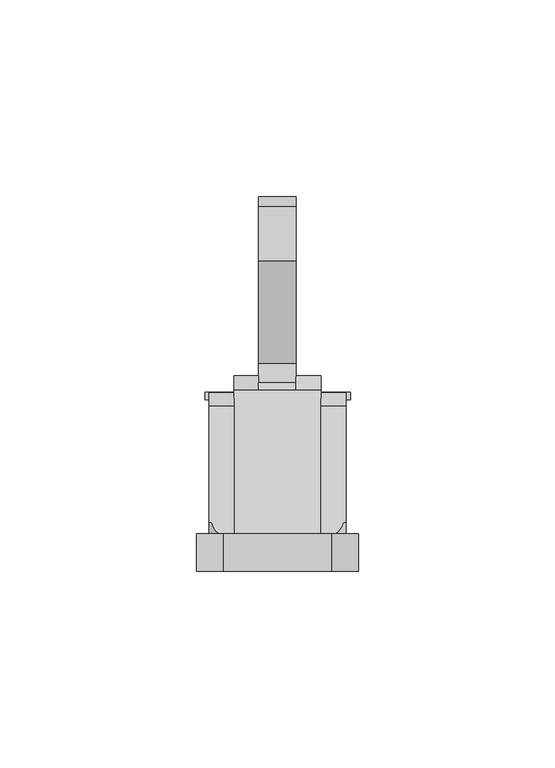
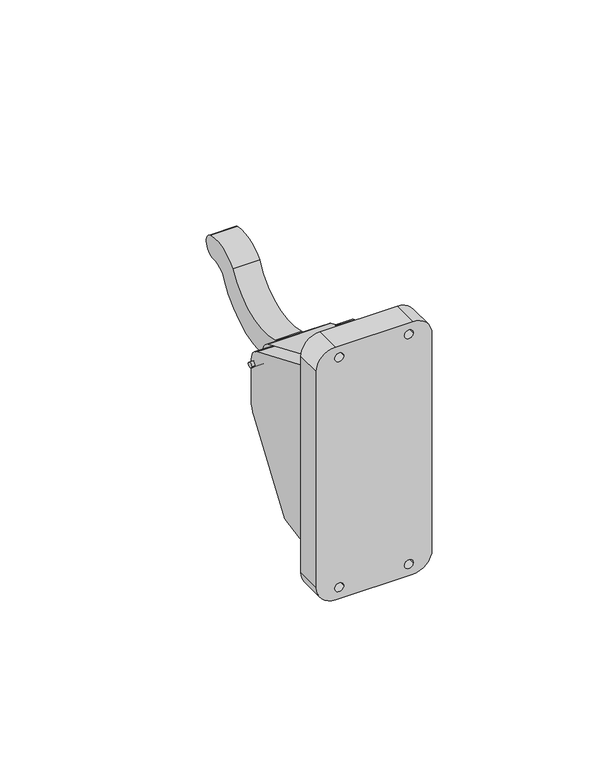
"""IFC4 building model written with IfcOpenShell, lengths in millimetres: proxy geometry."""

from ifc_helpers import new_model, si_unit, point, frame, frame_2d, origin, place, context, project, spatial, polyline, circle_curve, ellipse_curve, trimmed, segment, composite_curve, outline, extrude, source, transform, mapped, element, save
from ifc_brep_helpers import plane_surface, cylinder_surface, advanced_brep


def generic_models_79091314(model_context):
    return source(origin(), model_context, "Body", "SolidModel", [
        extrude(outline(composite_curve([segment(trimmed(circle_curve(frame_2d((35.1170752, 63.0835376)), 0.9707335), [point((36.0878086, 63.0835376))], [point((34.1463417, 63.0835376))], False, "CARTESIAN"), True, "CONTINUOUS"), segment(trimmed(circle_curve(frame_2d((35.1170752, 63.0835376)), 0.9707335), [point((34.1463417, 63.0835376))], [point((36.0878086, 63.0835376))], False, "CARTESIAN"), True, "CONTINUOUS")], self_intersect=False)), frame((-18.4728293, 0.0, 0.0), z_axis=(1.0, 0.0, 0.0), x_axis=(0.0, 1.0, 0.0)), (0.0, 0.0, 1.0), 37.0398824),
        advanced_brep(
        [(11.1125, 32.5081913, 69.2297236), (11.1125, 35.9861794, 64.3908472), (11.1125, 35.9861794, 47.4443329), (11.1125, 34.4017394, 43.711626), (11.1125, 15.4604364, 16.6606419), (11.1125, 0.0, 13.9345498), (11.1125, 0.0, 83.0286322), (17.4625, 15.4604364, 16.6606419), (17.4625, 34.4017394, 43.711626), (17.4625, 35.9861794, 47.4443329), (17.4625, 35.9861794, 64.3908472), (17.4625, 32.5081913, 69.2297236), (17.4625, 3.0130184, 81.7496817), (17.4625, 3.0130184, 79.8536322), (17.4625, 0.0, 79.8536322), (17.4625, 0.0, 17.1095498), (17.4625, 3.0130184, 17.1095498), (17.4625, 3.0130184, 14.4658263), (14.2875, 0.0, 83.0286322), (16.8341883, 3.0130184, 81.7496817), (14.2875, 0.0, 13.9345498), (16.0457237, 3.0130184, 14.4658263)],
        [
            (0, 1, circle_curve(frame((11.1125, 30.8810547, 64.3908472), z_axis=(-1.0, 0.0, 0.0), x_axis=(0.0, -1.0, 0.0)), 5.1051248)),
            (1, 2),
            (2, 3, circle_curve(frame((11.1125, 26.413457, 49.3050816), z_axis=(-1.0, 0.0, 0.0), x_axis=(0.0, -1.0, 0.0)), 9.7518922)),
            (3, 4),
            (4, 5),
            (5, 6),
            (6, 0),
            (7, 8),
            (8, 9, circle_curve(frame((17.4625, 26.413457, 49.3050816), z_axis=(1.0, 0.0, 0.0), x_axis=(0.0, -1.0, 0.0)), 9.7518922)),
            (9, 10),
            (10, 11, circle_curve(frame((17.4625, 30.8810547, 64.3908472), z_axis=(1.0, 0.0, 0.0), x_axis=(0.0, -1.0, 0.0)), 5.1051248)),
            (11, 12),
            (12, 13),
            (13, 14),
            (14, 15),
            (15, 16),
            (16, 17),
            (17, 7),
            (6, 18),
            (18, 19, ellipse_curve(frame((14.2875, 7.4798313, 79.8536322), z_axis=(0.0, 0.3907311284892765, 0.9205048534524392), x_axis=(0.0, 0.9205048534524393, -0.3907311284892765)), 8.1257923, 3.175)),
            (19, 12),
            (11, 0),
            (5, 20),
            (20, 15, circle_curve(frame((14.2875, 0.0, 17.1095498), z_axis=(0.0, -1.0, 0.0), x_axis=(1.0, 0.0, 0.0)), 3.175)),
            (14, 18, circle_curve(frame((14.2875, 0.0, 79.8536322), z_axis=(0.0, -1.0, 0.0), x_axis=(1.0, 0.0, 0.0)), 3.175)),
            (4, 7),
            (17, 21),
            (21, 20, ellipse_curve(frame((14.2875, 18.0063198, 17.1095498), z_axis=(0.0, 0.1736481776669298, -0.9848077530122082), x_axis=(0.0, 0.9848077530122082, 0.17364817766692983)), 18.2840963, 3.175)),
            (3, 8),
            (2, 9),
            (1, 10),
            (19, 13, circle_curve(frame((14.2875, 3.0130184, 79.8536322), z_axis=(0.0, 1.0, 0.0), x_axis=(1.0, 0.0, 0.0)), 3.175)),
            (16, 21, circle_curve(frame((14.2875, 3.0130184, 17.1095498), z_axis=(0.0, 1.0, 0.0), x_axis=(1.0, 0.0, 0.0)), 3.175)),
        ],
        [
            plane_surface(frame((11.1125, 25.7759299, 64.3908472), z_axis=(-1.0, 0.0, 0.0), x_axis=(0.0, 0.0, 1.0))),
            plane_surface(frame((17.4625, 25.7759299, 64.3908472), z_axis=(1.0, 0.0, 0.0), x_axis=(0.0, 0.0, -1.0))),
            plane_surface(frame((11.1125, 0.0, 83.0286322), z_axis=(0.0, 0.3907311284892765, 0.9205048534524392), x_axis=(1.0, 0.0, 0.0))),
            plane_surface(frame((11.1125, 0.0, 13.9345498), z_axis=(0.0, -1.0, 0.0), x_axis=(1.0, 0.0, 0.0))),
            plane_surface(frame((11.1125, 15.4604364, 16.6606419), z_axis=(0.0, 0.1736481776669298, -0.9848077530122082), x_axis=(1.0, 0.0, 0.0))),
            plane_surface(frame((11.1125, 34.4017394, 43.711626), z_axis=(0.0, 0.8191520442889915, -0.5735764363510466), x_axis=(1.0, 0.0, 0.0))),
            cylinder_surface(frame((17.4625, 26.413457, 49.3050816), z_axis=(-1.0, 0.0, 0.0), x_axis=(0.0, -1.0, 0.0)), 9.7518922),
            plane_surface(frame((11.1125, 35.9861794, 64.3908472), z_axis=(0.0, 1.0, 0.0), x_axis=(1.0, 0.0, 0.0))),
            cylinder_surface(frame((17.4625, 30.8810547, 64.3908472), z_axis=(-1.0, 0.0, 0.0), x_axis=(0.0, -1.0, 0.0)), 5.1051248),
            plane_surface(frame((-17.4625, 3.0130184, 83.0286322), z_axis=(0.0, -1.0, 0.0), x_axis=(0.0, 0.0, -1.0))),
            cylinder_surface(frame((14.2875, 3.0130184, 79.8536322), z_axis=(0.0, 1.0, 0.0), x_axis=(1.0, 0.0, 0.0)), 3.175),
            cylinder_surface(frame((14.2875, 3.0130184, 17.1095498), z_axis=(0.0, 1.0, 0.0), x_axis=(1.0, 0.0, 0.0)), 3.175),
        ],
        [
            (0, [[1, 2, 3, 4, 5, 6, 7]]),
            (1, [[8, 9, 10, 11, 12, 13, 14, 15, 16, 17, 18]]),
            (2, [[-7, 19, 20, 21, -12, 22]]),
            (3, [[-6, 23, 24, -15, 25, -19]]),
            (4, [[-5, 26, -18, 27, 28, -23]]),
            (5, [[-4, 29, -8, -26]]),
            (6, [[-3, 30, -9, -29]]),
            (7, [[-2, 31, -10, -30]]),
            (8, [[-1, -22, -11, -31]]),
            (9, [[32, -13, -21]]),
            (9, [[33, -27, -17]]),
            (10, [[-32, -20, -25, -14]]),
            (11, [[-33, -16, -24, -28]]),
        ],
    ),
        advanced_brep(
        [(-11.1125, 32.5081913, 69.2297236), (-11.1125, 0.0, 83.0286322), (-11.1125, 0.0, 13.9345498), (-11.1125, 15.4604364, 16.6606419), (-11.1125, 34.4017394, 43.711626), (-11.1125, 35.9861794, 47.4443329), (-11.1125, 35.9861794, 64.3908472), (-17.4625, 32.5081913, 69.2297236), (-17.4625, 35.9861794, 64.3908472), (-17.4625, 35.9861794, 47.4443329), (-17.4625, 34.4017394, 43.711626), (-17.4625, 15.4604364, 16.6606419), (-17.4625, 3.0130184, 14.4658263), (-17.4625, 3.0130184, 17.1095498), (-17.4625, 0.0, 17.1095498), (-17.4625, 0.0, 79.8536322), (-17.4625, 3.0130184, 79.8536322), (-17.4625, 3.0130184, 81.7496817), (-16.8341883, 3.0130184, 81.7496817), (-14.2875, 0.0, 83.0286322), (-14.2875, 0.0, 13.9345498), (-16.0457237, 3.0130184, 14.4658263)],
        [
            (0, 1),
            (1, 2),
            (2, 3),
            (3, 4),
            (4, 5, circle_curve(frame((-11.1125, 26.413457, 49.3050816), z_axis=(1.0, 0.0, 0.0), x_axis=(0.0, -1.0, 0.0)), 9.7518922)),
            (5, 6),
            (6, 0, circle_curve(frame((-11.1125, 30.8810547, 64.3908472), z_axis=(1.0, 0.0, 0.0), x_axis=(0.0, -1.0, 0.0)), 5.1051248)),
            (7, 8, circle_curve(frame((-17.4625, 30.8810547, 64.3908472), z_axis=(-1.0, 0.0, 0.0), x_axis=(0.0, -1.0, 0.0)), 5.1051248)),
            (8, 9),
            (9, 10, circle_curve(frame((-17.4625, 26.413457, 49.3050816), z_axis=(-1.0, 0.0, 0.0), x_axis=(0.0, -1.0, 0.0)), 9.7518922)),
            (10, 11),
            (11, 12),
            (12, 13),
            (13, 14),
            (14, 15),
            (15, 16),
            (16, 17),
            (17, 7),
            (0, 7),
            (17, 18),
            (18, 19, ellipse_curve(frame((-14.2875, 7.4798313, 79.8536322), z_axis=(0.0, 0.39073112848927644, 0.9205048534524393), x_axis=(0.0, 0.9205048534524393, -0.3907311284892765)), 8.1257923, 3.175)),
            (19, 1),
            (19, 15, circle_curve(frame((-14.2875, 0.0, 79.8536322), z_axis=(0.0, -1.0, 0.0), x_axis=(1.0, 0.0, 0.0)), 3.175)),
            (14, 20, circle_curve(frame((-14.2875, 0.0, 17.1095498), z_axis=(0.0, -1.0, 0.0), x_axis=(1.0, 0.0, 0.0)), 3.175)),
            (20, 2),
            (20, 21, ellipse_curve(frame((-14.2875, 18.0063198, 17.1095498), z_axis=(0.0, 0.17364817766692947, -0.9848077530122082), x_axis=(0.0, 0.9848077530122081, 0.17364817766692944)), 18.2840963, 3.175)),
            (21, 12),
            (11, 3),
            (10, 4),
            (9, 5),
            (8, 6),
            (16, 18, circle_curve(frame((-14.2875, 3.0130184, 79.8536322), z_axis=(0.0, 1.0, 0.0), x_axis=(1.0, 0.0, 0.0)), 3.175)),
            (21, 13, circle_curve(frame((-14.2875, 3.0130184, 17.1095498), z_axis=(0.0, 1.0, 0.0), x_axis=(1.0, 0.0, 0.0)), 3.175)),
        ],
        [
            plane_surface(frame((-11.1125, 0.0, 83.0286322), z_axis=(1.0000000000000002, 0.0, 0.0), x_axis=(0.0, -0.9205048534524393, 0.39073112848927644))),
            plane_surface(frame((-17.4625, 0.0, 83.0286322), z_axis=(-1.0000000000000002, 0.0, 0.0), x_axis=(0.0, 0.9205048534524393, -0.39073112848927644))),
            plane_surface(frame((-11.1125, 32.5081913, 69.2297236), z_axis=(0.0, 0.39073112848927644, 0.9205048534524393), x_axis=(-1.0, 0.0, 0.0))),
            plane_surface(frame((-11.1125, 0.0, 83.0286322), z_axis=(0.0, -1.0, 0.0), x_axis=(-1.0, 0.0, 0.0))),
            plane_surface(frame((-11.1125, 0.0, 13.9345498), z_axis=(0.0, 0.17364817766692947, -0.9848077530122082), x_axis=(-1.0, 0.0, 0.0))),
            plane_surface(frame((-11.1125, 15.4604364, 16.6606419), z_axis=(0.0, 0.8191520442889915, -0.5735764363510466), x_axis=(-1.0, 0.0, 0.0))),
            cylinder_surface(frame((-17.4625, 26.413457, 49.3050816), z_axis=(1.0, 0.0, 0.0), x_axis=(0.0, -1.0, 0.0)), 9.7518922),
            plane_surface(frame((-11.1125, 35.9861794, 47.4443329), z_axis=(0.0, 1.0, 0.0), x_axis=(-1.0, 0.0, 0.0))),
            cylinder_surface(frame((-17.4625, 30.8810547, 64.3908472), z_axis=(1.0, 0.0, 0.0), x_axis=(0.0, -1.0, 0.0)), 5.1051248),
            plane_surface(frame((-17.4625, 3.0130184, 83.0286322), z_axis=(0.0, -1.0, 0.0), x_axis=(0.0, 0.0, -1.0))),
            cylinder_surface(frame((-14.2875, 3.0130184, 79.8536322), z_axis=(0.0, 1.0, 0.0), x_axis=(1.0, 0.0, 0.0)), 3.175),
            cylinder_surface(frame((-14.2875, 3.0130184, 17.1095498), z_axis=(0.0, 1.0, 0.0), x_axis=(1.0, 0.0, 0.0)), 3.175),
        ],
        [
            (0, [[1, 2, 3, 4, 5, 6, 7]]),
            (1, [[8, 9, 10, 11, 12, 13, 14, 15, 16, 17, 18]]),
            (2, [[-1, 19, -18, 20, 21, 22]]),
            (3, [[-2, -22, 23, -15, 24, 25]]),
            (4, [[-3, -25, 26, 27, -12, 28]]),
            (5, [[-4, -28, -11, 29]]),
            (6, [[-5, -29, -10, 30]]),
            (7, [[-6, -30, -9, 31]]),
            (8, [[-7, -31, -8, -19]]),
            (9, [[32, -20, -17]]),
            (9, [[33, -13, -27]]),
            (10, [[-32, -16, -23, -21]]),
            (11, [[-33, -26, -24, -14]]),
        ],
    ),
        extrude(outline(composite_curve([segment(polyline([(0.0, -13.7120612), (0.0, 13.7120612)]), True, "CONTINUOUS"), segment(trimmed(circle_curve(frame_2d((6.9254388, 13.7120612)), 6.9254388), [point((0.0, 13.7120612))], [point((6.9254388, 20.6375))], False, "CARTESIAN"), True, "CONTINUOUS"), segment(polyline([(6.9254388, 20.6375), (88.3245612, 20.6375)]), True, "CONTINUOUS"), segment(trimmed(circle_curve(frame_2d((88.3245612, 13.7120612)), 6.9254388), [point((88.3245612, 20.6375))], [point((95.25, 13.7120612))], False, "CARTESIAN"), True, "CONTINUOUS"), segment(polyline([(95.25, 13.7120612), (95.25, -13.7120612)]), True, "CONTINUOUS"), segment(trimmed(circle_curve(frame_2d((88.3245612, -13.7120612)), 6.9254388), [point((95.25, -13.7120612))], [point((88.3245612, -20.6375))], False, "CARTESIAN"), True, "CONTINUOUS"), segment(polyline([(88.3245612, -20.6375), (6.9254388, -20.6375)]), True, "CONTINUOUS"), segment(trimmed(circle_curve(frame_2d((6.9254388, -13.7120612)), 6.9254388), [point((6.9254388, -20.6375))], [point((0.0, -13.7120612))], False, "CARTESIAN"), True, "CONTINUOUS")], self_intersect=False), holes=[composite_curve([segment(trimmed(circle_curve(frame_2d((90.9605818, -12.4300447)), 1.5875), [point((90.9605818, -10.8425447))], [point((90.9605818, -14.0175447))], True, "CARTESIAN"), True, "CONTINUOUS"), segment(trimmed(circle_curve(frame_2d((90.9605818, -12.4300447)), 1.5875), [point((90.9605818, -14.0175447))], [point((90.9605818, -10.8425447))], True, "CARTESIAN"), True, "CONTINUOUS")], self_intersect=False), composite_curve([segment(trimmed(circle_curve(frame_2d((90.9605818, 12.4300447)), 1.5875), [point((90.9605818, 10.8425447))], [point((90.9605818, 14.0175447))], True, "CARTESIAN"), True, "CONTINUOUS"), segment(trimmed(circle_curve(frame_2d((90.9605818, 12.4300447)), 1.5875), [point((90.9605818, 14.0175447))], [point((90.9605818, 10.8425447))], True, "CARTESIAN"), True, "CONTINUOUS")], self_intersect=False), composite_curve([segment(trimmed(circle_curve(frame_2d((4.2894182, -12.4300447)), 1.5875), [point((4.2894182, -10.8425447))], [point((4.2894182, -14.0175447))], True, "CARTESIAN"), True, "CONTINUOUS"), segment(trimmed(circle_curve(frame_2d((4.2894182, -12.4300447)), 1.5875), [point((4.2894182, -14.0175447))], [point((4.2894182, -10.8425447))], True, "CARTESIAN"), True, "CONTINUOUS")], self_intersect=False), composite_curve([segment(trimmed(circle_curve(frame_2d((4.2894182, 12.4300447)), 1.5875), [point((4.2894182, 10.8425447))], [point((4.2894182, 14.0175447))], True, "CARTESIAN"), True, "CONTINUOUS"), segment(trimmed(circle_curve(frame_2d((4.2894182, 12.4300447)), 1.5875), [point((4.2894182, 14.0175447))], [point((4.2894182, 10.8425447))], True, "CARTESIAN"), True, "CONTINUOUS")], self_intersect=False)]), frame((0.0, -9.525, 0.0), z_axis=(0.0, 1.0, 0.0), x_axis=(0.0, 0.0, 1.0)), (0.0, 0.0, 1.0), 9.525),
        advanced_brep(
        [(4.7625, 40.266601, 61.4522466), (4.7625, 40.266601, 35.3309903), (4.7625, 39.7237953, 33.5555528), (4.7625, 30.9326891, 20.5222019), (4.7625, 28.21823, 18.9101851), (4.7625, 0.0, 13.9345498), (4.7625, 0.0, 66.0651514), (4.7625, 38.4648434, 66.0651514), (11.1125, 36.5789043, 67.5018085), (11.1125, 0.0, 83.0286322), (11.1125, 0.0, 13.9345498), (11.1125, 28.21823, 18.9101851), (11.1125, 30.9326891, 20.5222019), (11.1125, 39.7237953, 33.5555528), (11.1125, 40.266601, 35.3309903), (11.1125, 40.266601, 61.4522466), (4.7625, 36.5789043, 67.5018085), (-4.7625, 36.5789043, 67.5018085), (-11.1125, 36.5789043, 67.5018085), (-11.1125, 0.0, 83.0286322), (-11.1125, 0.0, 13.9345498), (-4.7625, 0.0, 13.9345498), (-4.7625, 0.0, 66.0651514), (-4.7625, 38.4648434, 66.0651514), (-4.7625, 28.21823, 18.9101851), (-4.7625, 30.9326891, 20.5222019), (-4.7625, 39.7237953, 33.5555528), (-4.7625, 40.266601, 35.3309903), (-4.7625, 40.266601, 61.4522466), (-11.1125, 40.266601, 61.4522466), (-11.1125, 40.266601, 35.3309903), (-11.1125, 39.7237953, 33.5555528), (-11.1125, 30.9326891, 20.5222019), (-11.1125, 28.21823, 18.9101851)],
        [
            (0, 1),
            (1, 2, circle_curve(frame((4.7625, 37.091601, 35.3309903), z_axis=(-1.0, 0.0, 0.0), x_axis=(0.0, -1.0, 0.0)), 3.175)),
            (2, 3),
            (3, 4, circle_curve(frame((4.7625, 27.4429277, 23.3071428), z_axis=(-1.0, 0.0, 0.0), x_axis=(0.0, -1.0, 0.0)), 4.4647878)),
            (4, 5),
            (5, 6),
            (6, 7),
            (7, 0, circle_curve(frame((4.7625, 33.4606852, 61.4522466), z_axis=(-1.0, 0.0, 0.0), x_axis=(0.0, -1.0, 0.0)), 6.8059158)),
            (8, 9),
            (9, 10),
            (10, 11),
            (11, 12, circle_curve(frame((11.1125, 27.4429277, 23.3071428), z_axis=(1.0, 0.0, 0.0), x_axis=(0.0, -1.0, 0.0)), 4.4647878)),
            (12, 13),
            (13, 14, circle_curve(frame((11.1125, 37.091601, 35.3309903), z_axis=(1.0, 0.0, 0.0), x_axis=(0.0, -1.0, 0.0)), 3.175)),
            (14, 15),
            (15, 8, circle_curve(frame((11.1125, 33.4606852, 61.4522466), z_axis=(1.0, 0.0, 0.0), x_axis=(0.0, -1.0, 0.0)), 6.8059158)),
            (8, 16),
            (16, 17),
            (17, 18),
            (18, 19),
            (19, 9),
            (19, 20),
            (20, 21),
            (21, 22),
            (22, 6),
            (5, 10),
            (4, 11),
            (3, 12),
            (2, 13),
            (1, 14),
            (0, 15),
            (7, 16, circle_curve(frame((4.7625, 33.4606852, 61.4522466), z_axis=(1.0, 0.0, 0.0), x_axis=(0.0, -1.0, 0.0)), 6.8059158)),
            (7, 23),
            (23, 17, circle_curve(frame((-4.7625, 33.4606852, 61.4522466), z_axis=(1.0, 0.0, 0.0), x_axis=(0.0, -1.0, 0.0)), 6.8059158)),
            (22, 23),
            (21, 24),
            (24, 25, circle_curve(frame((-4.7625, 27.4429277, 23.3071428), z_axis=(1.0, 0.0, 0.0), x_axis=(0.0, -1.0, 0.0)), 4.4647878)),
            (25, 26),
            (26, 27, circle_curve(frame((-4.7625, 37.091601, 35.3309903), z_axis=(1.0, 0.0, 0.0), x_axis=(0.0, -1.0, 0.0)), 3.175)),
            (27, 28),
            (28, 23, circle_curve(frame((-4.7625, 33.4606852, 61.4522466), z_axis=(1.0, 0.0, 0.0), x_axis=(0.0, -1.0, 0.0)), 6.8059158)),
            (18, 29, circle_curve(frame((-11.1125, 33.4606852, 61.4522466), z_axis=(-1.0, 0.0, 0.0), x_axis=(0.0, -1.0, 0.0)), 6.8059158)),
            (29, 30),
            (30, 31, circle_curve(frame((-11.1125, 37.091601, 35.3309903), z_axis=(-1.0, 0.0, 0.0), x_axis=(0.0, -1.0, 0.0)), 3.175)),
            (31, 32),
            (32, 33, circle_curve(frame((-11.1125, 27.4429277, 23.3071428), z_axis=(-1.0, 0.0, 0.0), x_axis=(0.0, -1.0, 0.0)), 4.4647878)),
            (33, 20),
            (33, 24),
            (32, 25),
            (31, 26),
            (30, 27),
            (29, 28),
        ],
        [
            plane_surface(frame((4.7625, 26.6547694, 61.4522466), z_axis=(-1.0, 0.0, 0.0), x_axis=(0.0, 0.0, 1.0))),
            plane_surface(frame((11.1125, 26.6547694, 61.4522466), z_axis=(1.0, 0.0, 0.0), x_axis=(0.0, 0.0, -1.0))),
            plane_surface(frame((4.7625, 0.0, 83.0286322), z_axis=(0.0, 0.3907311284892765, 0.9205048534524392), x_axis=(1.0, 0.0, 0.0))),
            plane_surface(frame((4.7625, 0.0, 13.9345498), z_axis=(0.0, -1.0, 0.0), x_axis=(1.0, 0.0, 0.0))),
            plane_surface(frame((4.7625, 28.21823, 18.9101851), z_axis=(0.0, 0.17364817766692997, -0.9848077530122081), x_axis=(1.0, 0.0, 0.0))),
            cylinder_surface(frame((11.1125, 27.4429277, 23.3071428), z_axis=(-1.0, 0.0, 0.0), x_axis=(0.0, -1.0, 0.0)), 4.4647878),
            plane_surface(frame((4.7625, 39.7237953, 33.5555528), z_axis=(0.0, 0.8290375725550413, -0.5591929034707476), x_axis=(1.0, 0.0, 0.0))),
            cylinder_surface(frame((11.1125, 37.091601, 35.3309903), z_axis=(-1.0, 0.0, 0.0), x_axis=(0.0, -1.0, 0.0)), 3.175),
            plane_surface(frame((4.7625, 40.266601, 61.4522466), z_axis=(0.0, 1.0, 0.0), x_axis=(1.0, 0.0, 0.0))),
            cylinder_surface(frame((11.1125, 33.4606852, 61.4522466), z_axis=(-1.0, 0.0, 0.0), x_axis=(0.0, -1.0, 0.0)), 6.8059158),
            cylinder_surface(frame((4.7625, 33.4606852, 61.4522466), z_axis=(-1.0, 0.0, 0.0), x_axis=(0.0, -1.0, 0.0)), 6.8059158),
            plane_surface(frame((-4.7625, 38.4648434, 66.0651514), z_axis=(0.0, 0.0, -1.0), x_axis=(1.0, 0.0, 0.0))),
            plane_surface(frame((-4.7625, 0.0, 83.0286322), z_axis=(1.0, 0.0, 0.0), x_axis=(0.0, -0.9205048534524392, 0.3907311284892765))),
            plane_surface(frame((-11.1125, 0.0, 83.0286322), z_axis=(-1.0, 0.0, 0.0), x_axis=(0.0, 0.9205048534524392, -0.3907311284892765))),
            plane_surface(frame((-4.7625, 0.0, 13.9345498), z_axis=(0.0, 0.17364817766692991, -0.9848077530122081), x_axis=(-1.0, 0.0, 0.0))),
            cylinder_surface(frame((-11.1125, 27.4429277, 23.3071428), z_axis=(1.0, 0.0, 0.0), x_axis=(0.0, -1.0, 0.0)), 4.4647878),
            plane_surface(frame((-4.7625, 30.9326891, 20.5222019), z_axis=(0.0, 0.8290375725550412, -0.5591929034707476), x_axis=(-1.0, 0.0, 0.0))),
            cylinder_surface(frame((-11.1125, 37.091601, 35.3309903), z_axis=(1.0, 0.0, 0.0), x_axis=(0.0, -1.0, 0.0)), 3.175),
            plane_surface(frame((-4.7625, 40.266601, 35.3309903), z_axis=(0.0, 1.0, 0.0), x_axis=(-1.0, 0.0, 0.0))),
            cylinder_surface(frame((-11.1125, 33.4606852, 61.4522466), z_axis=(1.0, 0.0, 0.0), x_axis=(0.0, -1.0, 0.0)), 6.8059158),
        ],
        [
            (0, [[1, 2, 3, 4, 5, 6, 7, 8]]),
            (1, [[9, 10, 11, 12, 13, 14, 15, 16]]),
            (2, [[-9, 17, 18, 19, 20, 21]]),
            (3, [[-10, -21, 22, 23, 24, 25, -6, 26]]),
            (4, [[-5, 27, -11, -26]]),
            (5, [[-4, 28, -12, -27]]),
            (6, [[-3, 29, -13, -28]]),
            (7, [[-2, 30, -14, -29]]),
            (8, [[-1, 31, -15, -30]]),
            (9, [[-16, -31, -8, 32, -17]]),
            (10, [[-18, -32, 33, 34]]),
            (11, [[-25, 35, -33, -7]]),
            (12, [[36, 37, 38, 39, 40, 41, -35, -24]]),
            (13, [[42, 43, 44, 45, 46, 47, -22, -20]]),
            (14, [[-36, -23, -47, 48]]),
            (15, [[-37, -48, -46, 49]]),
            (16, [[-38, -49, -45, 50]]),
            (17, [[-39, -50, -44, 51]]),
            (18, [[-40, -51, -43, 52]]),
            (19, [[-42, -19, -34, -41, -52]]),
        ],
    ),
        extrude(outline(composite_curve([segment(trimmed(circle_curve(frame_2d((50.0821893, 83.066101)), 21.482019), [point((43.3330082, 62.6718445))], [point((69.4409647, 73.7540146))], True, "CARTESIAN"), True, "CONTINUOUS"), segment(trimmed(circle_curve(frame_2d((79.9981502, 64.1249344)), 14.288924), [point((69.4409647, 73.7540146))], [point((83.3659403, 78.0113068))], False, "CARTESIAN"), True, "CONTINUOUS"), segment(trimmed(circle_curve(frame_2d((81.7397794, 74.2686622)), 4.0806602), [point((83.3659403, 78.0113068))], [point((81.4707478, 70.19688))], False, "CARTESIAN"), True, "CONTINUOUS"), segment(trimmed(circle_curve(frame_2d((81.000528, 63.0801245)), 7.1322728), [point((81.4707478, 70.19688))], [point((74.7159984, 66.4526613))], True, "CARTESIAN"), True, "CONTINUOUS"), segment(trimmed(circle_curve(frame_2d((51.5864301, 78.8649383)), 26.249601), [point((74.7159984, 66.4526613))], [point((51.9818537, 52.6183159))], False, "CARTESIAN"), True, "CONTINUOUS"), segment(trimmed(circle_curve(frame_2d((51.3773798, 92.740855)), 40.1270923), [point((51.9818537, 52.6183159))], [point((31.734412, 57.7503227))], False, "CARTESIAN"), True, "CONTINUOUS"), segment(trimmed(circle_curve(frame_2d((33.4936687, 61.5530009)), 4.18991), [point((31.734412, 57.7503227))], [point((35.3218956, 65.3230051))], False, "CARTESIAN"), True, "CONTINUOUS"), segment(trimmed(circle_curve(frame_2d((49.3161913, 94.1807777)), 32.0719715), [point((35.3218956, 65.3230051))], [point((43.3330082, 62.6718445))], True, "CARTESIAN"), True, "CONTINUOUS")], self_intersect=False)), frame((-4.7625, 0.0, 0.0), z_axis=(1.0, 0.0, 0.0), x_axis=(0.0, 1.0, 0.0)), (0.0, 0.0, 1.0), 9.525),
    ])


if __name__ == "__main__":
    model = new_model("IFC4")
    model_context = context("Model", 3, world=origin())
    ifc_project = project(units=[si_unit("LENGTHUNIT", "METRE", prefix="MILLI")], contexts=[model_context])
    site = spatial("IfcSite", under=ifc_project)
    building = spatial("IfcBuilding", under=site)
    placement = place(None, origin())
    generic_models_shape = generic_models_79091314(model_context)
    element("IfcBuildingElementProxy", 1, Name="Generic Models", at=placement, inside=building, context=model_context, shape_type="MappedRepresentation", body=[
        mapped(generic_models_shape, transform((0.0, 0.0, 0.0), x_axis=(1.0, 0.0, 0.0), y_axis=(0.0, 1.0, 0.0), z_axis=(0.0, 0.0, 1.0))),
    ])
    save(model, "model.ifc")
